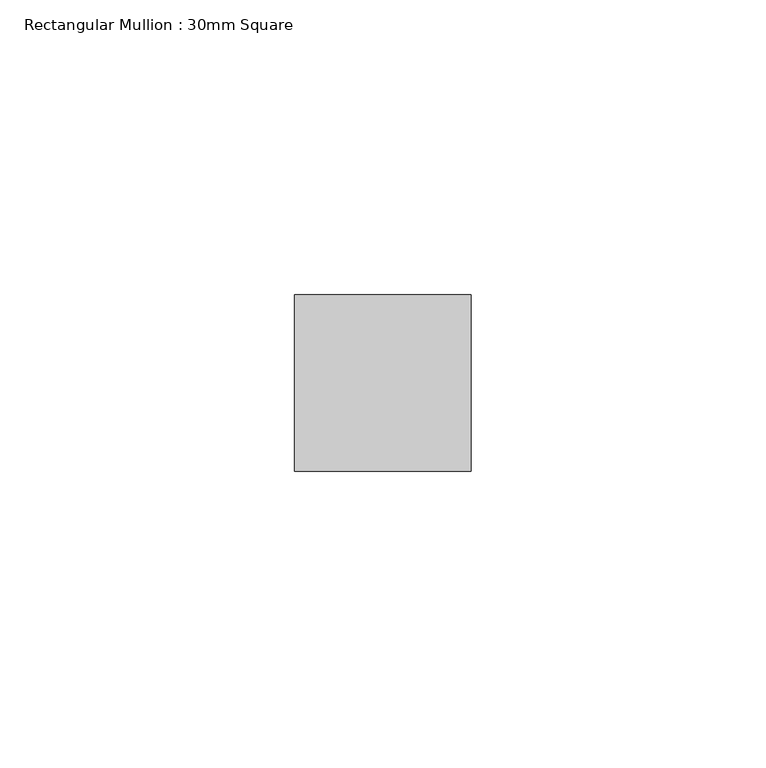
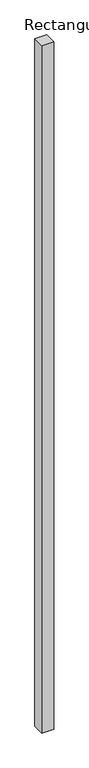
"""IFC4 building model written with IfcOpenShell, lengths in millimetres: member geometry, Rectangular Mullion : 30mm Square."""

import ifcopenshell
import ifcopenshell.guid

model = None  # the IFC model being written
_history = None  # IfcOwnerHistory: only IFC2X3 demands one
_inside = {}  # id of a spatial element -> (the spatial element, [elements in it])
_under = {}  # id of a project, library or spatial element -> (it, [spatial elements below it])
_declared = {}  # id of a project -> (the project, [libraries it declares])
_typed = {}  # id of a type object -> (the type object, [elements of that type])
_made_of = {}  # id of a material, layer set ... -> (it, [elements and type objects made of it])


def new_model(schema):
    """Start an empty IFC model of exactly this schema.

    Asked for "IFC4X3", IfcOpenShell would pick the latest addendum, in which some entities
    have other attributes; the version numbers below select the first issue.
    IFC2X3 requires an IfcOwnerHistory on every rooted entity: one is made here for all.
    """
    global model, _history
    if schema == "IFC4X3":
        model = ifcopenshell.file(schema_version=(4, 3, 0, 0))
    else:
        model = ifcopenshell.file(schema=schema)
    _inside.clear()
    _under.clear()
    _declared.clear()
    _typed.clear()
    _made_of.clear()
    _history = None
    if model.schema == "IFC2X3":
        org = make("IfcOrganization", Name="unknown")
        user = make(
            "IfcPersonAndOrganization",
            ThePerson=make("IfcPerson", FamilyName="unknown"),
            TheOrganization=org,
        )
        app = make(
            "IfcApplication",
            ApplicationDeveloper=org,
            Version="unknown",
            ApplicationFullName="unknown",
            ApplicationIdentifier="unknown",
        )
        _history = make(
            "IfcOwnerHistory",
            OwningUser=user,
            OwningApplication=app,
            ChangeAction="ADDED",
            CreationDate=0,
        )
    return model


def make(cls, **values):
    """One entity of the class cls with the attributes given. An attribute that is None is left unset."""
    return model.create_entity(
        cls, **{name: value for name, value in values.items() if value is not None}
    )


def rooted(cls, **values):
    """An entity with a GlobalId (a new one), such as an element, a storey or a relation."""
    return make(cls, GlobalId=ifcopenshell.guid.new(), OwnerHistory=_history, **values)


def si_unit(unit_type, name, prefix=None):
    """IfcSIUnit, for example si_unit("LENGTHUNIT", "METRE", prefix="MILLI")."""
    return make("IfcSIUnit", UnitType=unit_type, Prefix=prefix, Name=name)


def assignment(units):
    """IfcUnitAssignment: the units of a project."""
    return None if units is None else make("IfcUnitAssignment", Units=units)


def point(xyz):
    """IfcCartesianPoint."""
    return None if xyz is None else make("IfcCartesianPoint", Coordinates=xyz)


def direction(xyz):
    """IfcDirection."""
    return None if xyz is None else make("IfcDirection", DirectionRatios=xyz)


def frame(location, z_axis=None, x_axis=None):
    """IfcAxis2Placement3D, a coordinate frame: its origin and axes. An axis left out is left unset."""
    return make(
        "IfcAxis2Placement3D",
        Location=point(location),
        Axis=direction(z_axis),
        RefDirection=direction(x_axis),
    )


def origin():
    """The frame at (0, 0, 0) with its axes left unset."""
    return frame((0.0, 0.0, 0.0))


def place(relative_to, where):
    """IfcLocalPlacement: puts the frame where relative to a parent placement (None: the world)."""
    return make(
        "IfcLocalPlacement", PlacementRelTo=relative_to, RelativePlacement=where
    )


def context(
    kind, dimensions, precision=None, world=None, true_north=None, identifier=None
):
    """IfcGeometricRepresentationContext, for example the 3D "Model" context."""
    return make(
        "IfcGeometricRepresentationContext",
        ContextIdentifier=identifier,
        ContextType=kind,
        CoordinateSpaceDimension=dimensions,
        Precision=precision,
        WorldCoordinateSystem=world,
        TrueNorth=true_north,
    )


def project(units=None, contexts=None):
    """IfcProject with its units and contexts."""
    return rooted(
        "IfcProject",
        Name="project",
        RepresentationContexts=contexts,
        UnitsInContext=assignment(units),
    )


def spatial(cls, under=None, at=None, **own):
    """A site, building, storey or space (cls), placed at a placement, below another one or the project."""
    s = rooted(cls, ObjectPlacement=at, **own)
    if under is not None:
        _under.setdefault(under.id(), (under, []))[1].append(s)
    return s


def polyline(points):
    """IfcPolyline through the points."""
    return make("IfcPolyline", Points=[point(p) for p in points])


def outline(outer, holes=None, kind="AREA"):
    """IfcArbitraryClosedProfileDef: a profile drawn as a closed curve; with holes, ...WithVoids."""
    if holes is None:
        return make("IfcArbitraryClosedProfileDef", ProfileType=kind, OuterCurve=outer)
    return make(
        "IfcArbitraryProfileDefWithVoids",
        ProfileType=kind,
        OuterCurve=outer,
        InnerCurves=holes,
    )


def extrude(swept, where, along, depth):
    """IfcExtrudedAreaSolid: the profile swept, set in the frame where, extruded along a direction by depth."""
    return make(
        "IfcExtrudedAreaSolid",
        SweptArea=swept,
        Position=where,
        ExtrudedDirection=direction(along),
        Depth=depth,
    )


def shape(context_of_items, identifier, shape_type, items):
    """IfcShapeRepresentation: the items that make up one representation, for example the "Body"."""
    return make(
        "IfcShapeRepresentation",
        ContextOfItems=context_of_items,
        RepresentationIdentifier=identifier,
        RepresentationType=shape_type,
        Items=items,
    )


def source(mapping_origin, context_of_items, identifier, shape_type, items):
    """IfcRepresentationMap: a shape defined once, which mapped items show again and again."""
    return make(
        "IfcRepresentationMap",
        MappingOrigin=mapping_origin,
        MappedRepresentation=shape(context_of_items, identifier, shape_type, items),
    )


def transform(
    local_origin,
    x_axis=None,
    y_axis=None,
    z_axis=None,
    scale=None,
    scale2=None,
    scale3=None,
    uniform=True,
):
    """IfcCartesianTransformationOperator3D, or its non-uniform kind. x_axis, y_axis, z_axis: its Axis1, 2, 3."""
    if uniform:
        return make(
            "IfcCartesianTransformationOperator3D",
            Axis1=direction(x_axis),
            Axis2=direction(y_axis),
            LocalOrigin=point(local_origin),
            Scale=scale,
            Axis3=direction(z_axis),
        )
    return make(
        "IfcCartesianTransformationOperator3DnonUniform",
        Axis1=direction(x_axis),
        Axis2=direction(y_axis),
        LocalOrigin=point(local_origin),
        Scale=scale,
        Axis3=direction(z_axis),
        Scale2=scale2,
        Scale3=scale3,
    )


def mapped(mapping_source, mapping_target):
    """IfcMappedItem: shows the shape of a source again, moved by a transform."""
    return make(
        "IfcMappedItem", MappingSource=mapping_source, MappingTarget=mapping_target
    )


def made_of(thing, what):
    """Note that an element or type object is made of a material, layer set ...; save() writes the relation."""
    if what is not None:
        _made_of.setdefault(what.id(), (what, []))[1].append(thing)
    return thing


def element(
    cls,
    number,
    at=None,
    inside=None,
    cuts=None,
    type_object=None,
    material=None,
    context=None,
    identifier="Body",
    shape_type=None,
    held_by="IfcProductDefinitionShape",
    body=None,
    shapes=None,
    **own,
):
    """One element of the class cls, such as IfcWall. Its Tag is "e" and its number.

    at: its placement. inside: the storey or other place that contains it. cuts: it is an
    opening in that element (IfcRelVoidsElement). A single representation is given by context,
    identifier, shape_type and body (its items); several are given by shapes. held_by: the class
    of the entity that holds the representations. save() writes the other relations.
    """
    e = rooted(cls, Tag="e%d" % number, ObjectPlacement=at, **own)
    if body is not None:
        shapes = [shape(context, identifier, shape_type, body)]
    if shapes is not None:
        e.Representation = make(held_by, Representations=shapes)
    if inside is not None:
        _inside.setdefault(inside.id(), (inside, []))[1].append(e)
    if cuts is not None:
        rooted(
            "IfcRelVoidsElement", RelatingBuildingElement=cuts, RelatedOpeningElement=e
        )
    if type_object is not None:
        _typed.setdefault(type_object.id(), (type_object, []))[1].append(e)
    return made_of(e, material)


def aggregate(whole, parts):
    """IfcRelAggregates: a whole, such as a stair, and the parts it consists of."""
    return rooted("IfcRelAggregates", RelatingObject=whole, RelatedObjects=parts)


def save(model, path):
    """Write the relations noted so far, then the file.

    IfcRelAggregates (storeys below a building ...), IfcRelContainedInSpatialStructure (elements
    in a storey), IfcRelDefinesByType, IfcRelAssociatesMaterial and IfcRelDeclares: one each for
    every whole, place, type object, material and project.
    """
    for whole, parts in _under.values():
        aggregate(whole, parts)
    for where, things in _inside.values():
        rooted(
            "IfcRelContainedInSpatialStructure",
            RelatedElements=things,
            RelatingStructure=where,
        )
    for kind, things in _typed.values():
        rooted("IfcRelDefinesByType", RelatedObjects=things, RelatingType=kind)
    for what, things in _made_of.values():
        rooted("IfcRelAssociatesMaterial", RelatedObjects=things, RelatingMaterial=what)
    for by, libraries in _declared.values():
        rooted("IfcRelDeclares", RelatingContext=by, RelatedDefinitions=libraries)
    model.write(path)


def rectangular_mullion_30mm_square_74642acc(model_context):
    return source(origin(), model_context, "Body", "SweptSolid", [
        extrude(outline(polyline([(0.0, 15.0), (0.0, -15.0), (-30.0, -15.0), (-30.0, 15.0), (0.0, 15.0)])), frame((0.0, 0.0, -1834.3025596), z_axis=(0.0, 0.0, 1.0), x_axis=(1.0, 0.0, 0.0)), (0.0, 0.0, 1.0), 1834.3025596),
    ])


if __name__ == "__main__":
    model = new_model("IFC4")
    model_context = context("Model", 3, world=origin())
    ifc_project = project(units=[si_unit("LENGTHUNIT", "METRE", prefix="MILLI")], contexts=[model_context])
    site = spatial("IfcSite", under=ifc_project)
    building = spatial("IfcBuilding", under=site)
    placement = place(None, origin())
    rectangular_mullion_30mm_square_shape = rectangular_mullion_30mm_square_74642acc(model_context)
    element("IfcMember", 1, ObjectType="Rectangular Mullion : 30mm Square", at=placement, inside=building, context=model_context, shape_type="MappedRepresentation", body=[
        mapped(rectangular_mullion_30mm_square_shape, transform((0.0, 0.0, 0.0), x_axis=(1.0, 0.0, 0.0), y_axis=(0.0, 1.0, 0.0), z_axis=(0.0, 0.0, 1.0))),
    ])
    save(model, "model.ifc")
